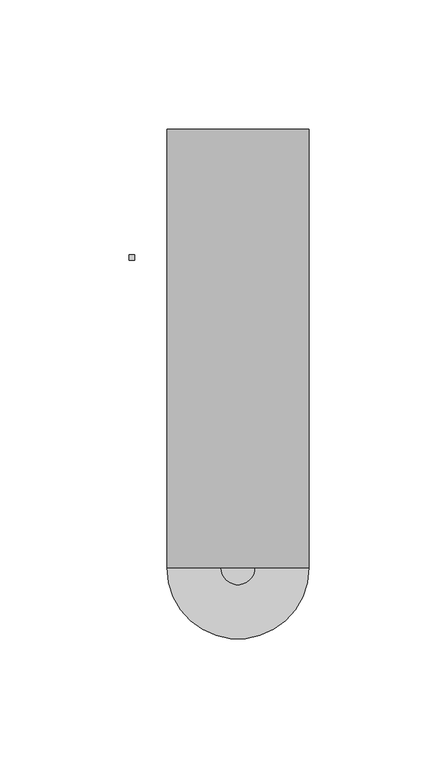
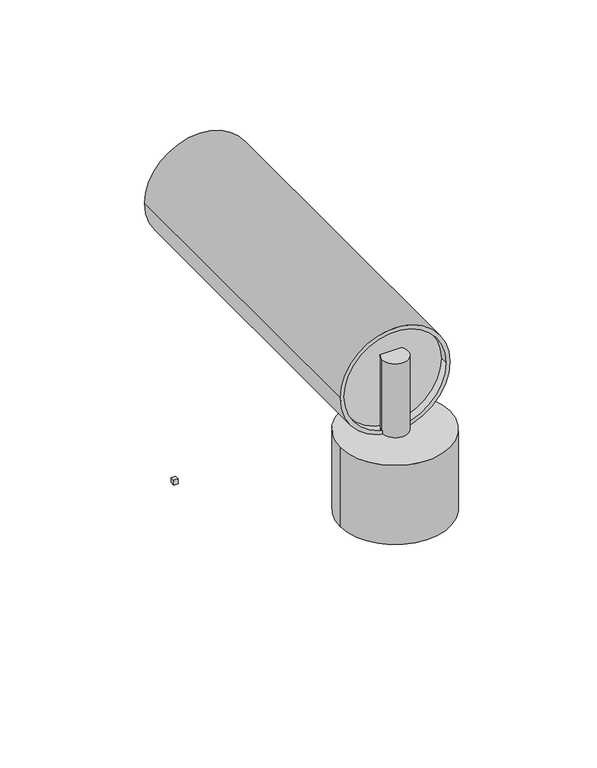
"""IFC4 building model written with IfcOpenShell, lengths in millimetres: light fixture geometry."""

import ifcopenshell
import ifcopenshell.guid

model = None  # the IFC model being written
_history = None  # IfcOwnerHistory: only IFC2X3 demands one
_inside = {}  # id of a spatial element -> (the spatial element, [elements in it])
_under = {}  # id of a project, library or spatial element -> (it, [spatial elements below it])
_declared = {}  # id of a project -> (the project, [libraries it declares])
_typed = {}  # id of a type object -> (the type object, [elements of that type])
_made_of = {}  # id of a material, layer set ... -> (it, [elements and type objects made of it])


def new_model(schema):
    """Start an empty IFC model of exactly this schema.

    Asked for "IFC4X3", IfcOpenShell would pick the latest addendum, in which some entities
    have other attributes; the version numbers below select the first issue.
    IFC2X3 requires an IfcOwnerHistory on every rooted entity: one is made here for all.
    """
    global model, _history
    if schema == "IFC4X3":
        model = ifcopenshell.file(schema_version=(4, 3, 0, 0))
    else:
        model = ifcopenshell.file(schema=schema)
    _inside.clear()
    _under.clear()
    _declared.clear()
    _typed.clear()
    _made_of.clear()
    _history = None
    if model.schema == "IFC2X3":
        org = make("IfcOrganization", Name="unknown")
        user = make(
            "IfcPersonAndOrganization",
            ThePerson=make("IfcPerson", FamilyName="unknown"),
            TheOrganization=org,
        )
        app = make(
            "IfcApplication",
            ApplicationDeveloper=org,
            Version="unknown",
            ApplicationFullName="unknown",
            ApplicationIdentifier="unknown",
        )
        _history = make(
            "IfcOwnerHistory",
            OwningUser=user,
            OwningApplication=app,
            ChangeAction="ADDED",
            CreationDate=0,
        )
    return model


def make(cls, **values):
    """One entity of the class cls with the attributes given. An attribute that is None is left unset."""
    return model.create_entity(
        cls, **{name: value for name, value in values.items() if value is not None}
    )


def rooted(cls, **values):
    """An entity with a GlobalId (a new one), such as an element, a storey or a relation."""
    return make(cls, GlobalId=ifcopenshell.guid.new(), OwnerHistory=_history, **values)


def si_unit(unit_type, name, prefix=None):
    """IfcSIUnit, for example si_unit("LENGTHUNIT", "METRE", prefix="MILLI")."""
    return make("IfcSIUnit", UnitType=unit_type, Prefix=prefix, Name=name)


def assignment(units):
    """IfcUnitAssignment: the units of a project."""
    return None if units is None else make("IfcUnitAssignment", Units=units)


def point(xyz):
    """IfcCartesianPoint."""
    return None if xyz is None else make("IfcCartesianPoint", Coordinates=xyz)


def direction(xyz):
    """IfcDirection."""
    return None if xyz is None else make("IfcDirection", DirectionRatios=xyz)


def frame(location, z_axis=None, x_axis=None):
    """IfcAxis2Placement3D, a coordinate frame: its origin and axes. An axis left out is left unset."""
    return make(
        "IfcAxis2Placement3D",
        Location=point(location),
        Axis=direction(z_axis),
        RefDirection=direction(x_axis),
    )


def frame_2d(location, x_axis=None):
    """IfcAxis2Placement2D, a coordinate frame in the plane: its origin and x axis."""
    return make(
        "IfcAxis2Placement2D", Location=point(location), RefDirection=direction(x_axis)
    )


def origin():
    """The frame at (0, 0, 0) with its axes left unset."""
    return frame((0.0, 0.0, 0.0))


def origin_with_axes():
    """The frame at (0, 0, 0) with the z axis (0, 0, 1) and the x axis (1, 0, 0) written out."""
    return frame((0.0, 0.0, 0.0), z_axis=(0.0, 0.0, 1.0), x_axis=(1.0, 0.0, 0.0))


def origin_2d():
    """The frame at (0, 0) in the plane with its x axis left unset."""
    return frame_2d((0.0, 0.0))


def place(relative_to, where):
    """IfcLocalPlacement: puts the frame where relative to a parent placement (None: the world)."""
    return make(
        "IfcLocalPlacement", PlacementRelTo=relative_to, RelativePlacement=where
    )


def context(
    kind, dimensions, precision=None, world=None, true_north=None, identifier=None
):
    """IfcGeometricRepresentationContext, for example the 3D "Model" context."""
    return make(
        "IfcGeometricRepresentationContext",
        ContextIdentifier=identifier,
        ContextType=kind,
        CoordinateSpaceDimension=dimensions,
        Precision=precision,
        WorldCoordinateSystem=world,
        TrueNorth=true_north,
    )


def project(units=None, contexts=None):
    """IfcProject with its units and contexts."""
    return rooted(
        "IfcProject",
        Name="project",
        RepresentationContexts=contexts,
        UnitsInContext=assignment(units),
    )


def spatial(cls, under=None, at=None, **own):
    """A site, building, storey or space (cls), placed at a placement, below another one or the project."""
    s = rooted(cls, ObjectPlacement=at, **own)
    if under is not None:
        _under.setdefault(under.id(), (under, []))[1].append(s)
    return s


def polyline(points):
    """IfcPolyline through the points."""
    return make("IfcPolyline", Points=[point(p) for p in points])


def circle_curve(where, radius):
    """IfcCircle in the frame where."""
    return make("IfcCircle", Position=where, Radius=radius)


def trimmed(basis, trim1, trim2, sense, master):
    """IfcTrimmedCurve: the piece of a basis curve between two trims."""
    return make(
        "IfcTrimmedCurve",
        BasisCurve=basis,
        Trim1=trim1,
        Trim2=trim2,
        SenseAgreement=sense,
        MasterRepresentation=master,
    )


def segment(curve, same_sense, transition):
    """IfcCompositeCurveSegment."""
    return make(
        "IfcCompositeCurveSegment",
        Transition=transition,
        SameSense=same_sense,
        ParentCurve=curve,
    )


def composite_curve(segments, self_intersect=None):
    """IfcCompositeCurve: segments joined end to end."""
    return make("IfcCompositeCurve", Segments=segments, SelfIntersect=self_intersect)


def outline(outer, holes=None, kind="AREA"):
    """IfcArbitraryClosedProfileDef: a profile drawn as a closed curve; with holes, ...WithVoids."""
    if holes is None:
        return make("IfcArbitraryClosedProfileDef", ProfileType=kind, OuterCurve=outer)
    return make(
        "IfcArbitraryProfileDefWithVoids",
        ProfileType=kind,
        OuterCurve=outer,
        InnerCurves=holes,
    )


def extrude(swept, where, along, depth):
    """IfcExtrudedAreaSolid: the profile swept, set in the frame where, extruded along a direction by depth."""
    return make(
        "IfcExtrudedAreaSolid",
        SweptArea=swept,
        Position=where,
        ExtrudedDirection=direction(along),
        Depth=depth,
    )


def shape(context_of_items, identifier, shape_type, items):
    """IfcShapeRepresentation: the items that make up one representation, for example the "Body"."""
    return make(
        "IfcShapeRepresentation",
        ContextOfItems=context_of_items,
        RepresentationIdentifier=identifier,
        RepresentationType=shape_type,
        Items=items,
    )


def source(mapping_origin, context_of_items, identifier, shape_type, items):
    """IfcRepresentationMap: a shape defined once, which mapped items show again and again."""
    return make(
        "IfcRepresentationMap",
        MappingOrigin=mapping_origin,
        MappedRepresentation=shape(context_of_items, identifier, shape_type, items),
    )


def transform(
    local_origin,
    x_axis=None,
    y_axis=None,
    z_axis=None,
    scale=None,
    scale2=None,
    scale3=None,
    uniform=True,
):
    """IfcCartesianTransformationOperator3D, or its non-uniform kind. x_axis, y_axis, z_axis: its Axis1, 2, 3."""
    if uniform:
        return make(
            "IfcCartesianTransformationOperator3D",
            Axis1=direction(x_axis),
            Axis2=direction(y_axis),
            LocalOrigin=point(local_origin),
            Scale=scale,
            Axis3=direction(z_axis),
        )
    return make(
        "IfcCartesianTransformationOperator3DnonUniform",
        Axis1=direction(x_axis),
        Axis2=direction(y_axis),
        LocalOrigin=point(local_origin),
        Scale=scale,
        Axis3=direction(z_axis),
        Scale2=scale2,
        Scale3=scale3,
    )


def mapped(mapping_source, mapping_target):
    """IfcMappedItem: shows the shape of a source again, moved by a transform."""
    return make(
        "IfcMappedItem", MappingSource=mapping_source, MappingTarget=mapping_target
    )


def made_of(thing, what):
    """Note that an element or type object is made of a material, layer set ...; save() writes the relation."""
    if what is not None:
        _made_of.setdefault(what.id(), (what, []))[1].append(thing)
    return thing


def element(
    cls,
    number,
    at=None,
    inside=None,
    cuts=None,
    type_object=None,
    material=None,
    context=None,
    identifier="Body",
    shape_type=None,
    held_by="IfcProductDefinitionShape",
    body=None,
    shapes=None,
    **own,
):
    """One element of the class cls, such as IfcWall. Its Tag is "e" and its number.

    at: its placement. inside: the storey or other place that contains it. cuts: it is an
    opening in that element (IfcRelVoidsElement). A single representation is given by context,
    identifier, shape_type and body (its items); several are given by shapes. held_by: the class
    of the entity that holds the representations. save() writes the other relations.
    """
    e = rooted(cls, Tag="e%d" % number, ObjectPlacement=at, **own)
    if body is not None:
        shapes = [shape(context, identifier, shape_type, body)]
    if shapes is not None:
        e.Representation = make(held_by, Representations=shapes)
    if inside is not None:
        _inside.setdefault(inside.id(), (inside, []))[1].append(e)
    if cuts is not None:
        rooted(
            "IfcRelVoidsElement", RelatingBuildingElement=cuts, RelatedOpeningElement=e
        )
    if type_object is not None:
        _typed.setdefault(type_object.id(), (type_object, []))[1].append(e)
    return made_of(e, material)


def aggregate(whole, parts):
    """IfcRelAggregates: a whole, such as a stair, and the parts it consists of."""
    return rooted("IfcRelAggregates", RelatingObject=whole, RelatedObjects=parts)


def save(model, path):
    """Write the relations noted so far, then the file.

    IfcRelAggregates (storeys below a building ...), IfcRelContainedInSpatialStructure (elements
    in a storey), IfcRelDefinesByType, IfcRelAssociatesMaterial and IfcRelDeclares: one each for
    every whole, place, type object, material and project.
    """
    for whole, parts in _under.values():
        aggregate(whole, parts)
    for where, things in _inside.values():
        rooted(
            "IfcRelContainedInSpatialStructure",
            RelatedElements=things,
            RelatingStructure=where,
        )
    for kind, things in _typed.values():
        rooted("IfcRelDefinesByType", RelatedObjects=things, RelatingType=kind)
    for what, things in _made_of.values():
        rooted("IfcRelAssociatesMaterial", RelatedObjects=things, RelatingMaterial=what)
    for by, libraries in _declared.values():
        rooted("IfcRelDeclares", RelatingContext=by, RelatedDefinitions=libraries)
    model.write(path)


def light_fixture_1b04e1ba(model_context):
    return source(origin(), model_context, "Body", "SweptSolid", [
        extrude(outline(composite_curve([segment(trimmed(circle_curve(frame_2d((68.1286709, 0.0)), 25.5), [point((68.1286709, -25.5))], [point((68.1286709, 25.5))], False, "CARTESIAN"), True, "CONTINUOUS"), segment(trimmed(circle_curve(frame_2d((68.1286709, 0.0)), 25.5), [point((68.1286709, 25.5))], [point((68.1286709, -25.5))], False, "CARTESIAN"), True, "CONTINUOUS")], self_intersect=False)), frame((0.0, 4.0971086, 0.0), z_axis=(0.0, 1.0, 0.0), x_axis=(0.0, 0.0, 1.0)), (0.0, 0.0, 1.0), 8.8674497),
        extrude(outline(composite_curve([segment(trimmed(circle_curve(frame_2d((68.1286709, 0.0)), 25.5), [point((68.1286709, -25.5))], [point((68.1286709, 25.5))], False, "CARTESIAN"), True, "CONTINUOUS"), segment(trimmed(circle_curve(frame_2d((68.1286709, 0.0)), 25.5), [point((68.1286709, 25.5))], [point((68.1286709, -25.5))], False, "CARTESIAN"), True, "CONTINUOUS")], self_intersect=False)), frame((0.0, 104.4407644, 0.0), z_axis=(0.0, 1.0, 0.0), x_axis=(0.0, 0.0, 1.0)), (0.0, 0.0, 1.0), 53.2046979),
        extrude(outline(composite_curve([segment(trimmed(circle_curve(frame_2d((68.1286709, 0.0)), 27.5), [point((68.1286709, -27.5))], [point((68.1286709, 27.5))], False, "CARTESIAN"), True, "CONTINUOUS"), segment(trimmed(circle_curve(frame_2d((68.1286709, 0.0)), 27.5), [point((68.1286709, 27.5))], [point((68.1286709, -27.5))], False, "CARTESIAN"), True, "CONTINUOUS")], self_intersect=False), holes=[composite_curve([segment(trimmed(circle_curve(frame_2d((68.1286709, 0.0)), 25.5), [point((68.1286709, -25.5))], [point((68.1286709, 25.5))], True, "CARTESIAN"), True, "CONTINUOUS"), segment(trimmed(circle_curve(frame_2d((68.1286709, 0.0)), 25.5), [point((68.1286709, 25.5))], [point((68.1286709, -25.5))], True, "CARTESIAN"), True, "CONTINUOUS")], self_intersect=False)]), frame((0.0, 0.0, 0.0), z_axis=(0.0, 1.0, 0.0), x_axis=(0.0, 0.0, 1.0)), (0.0, 0.0, 1.0), 170.0),
        extrude(outline(polyline([(-40.0659544, 119.1161049), (-42.2773868, 119.1161049), (-42.2773868, 121.3200627), (-40.0659544, 121.3200627), (-40.0659544, 119.1161049)])), frame((0.0, 0.0, -45.0471716), z_axis=(0.0, 0.0, 1.0), x_axis=(1.0, 0.0, 0.0)), (0.0, 0.0, 1.0), 2.4665976),
        extrude(outline(composite_curve([segment(trimmed(circle_curve(origin_2d(), 6.5), [point((-6.5, 0.0))], [point((6.5, 0.0))], False, "CARTESIAN"), True, "CONTINUOUS"), segment(trimmed(circle_curve(origin_2d(), 6.5), [point((6.5, 0.0))], [point((-6.5, 0.0))], False, "CARTESIAN"), True, "CONTINUOUS")], self_intersect=False)), frame((0.0, 0.0, 42.0), z_axis=(0.0, 0.0, 1.0), x_axis=(1.0, 0.0, 0.0)), (0.0, 0.0, 1.0), 39.0932291),
        extrude(outline(composite_curve([segment(trimmed(circle_curve(origin_2d(), 27.5), [point((-27.5, 0.0))], [point((27.5, 0.0))], False, "CARTESIAN"), True, "CONTINUOUS"), segment(trimmed(circle_curve(origin_2d(), 27.5), [point((27.5, 0.0))], [point((-27.5, 0.0))], False, "CARTESIAN"), True, "CONTINUOUS")], self_intersect=False)), origin_with_axes(), (0.0, 0.0, 1.0), 42.0),
    ])


if __name__ == "__main__":
    model = new_model("IFC4")
    model_context = context("Model", 3, world=origin())
    ifc_project = project(units=[si_unit("LENGTHUNIT", "METRE", prefix="MILLI")], contexts=[model_context])
    site = spatial("IfcSite", under=ifc_project)
    building = spatial("IfcBuilding", under=site)
    placement = place(None, origin())
    light_fixture_shape = light_fixture_1b04e1ba(model_context)
    element("IfcLightFixture", 1, at=placement, inside=building, context=model_context, shape_type="MappedRepresentation", body=[
        mapped(light_fixture_shape, transform((0.0, 0.0, 0.0), x_axis=(1.0, 0.0, 0.0), y_axis=(0.0, 1.0, 0.0), z_axis=(0.0, 0.0, 1.0))),
    ])
    save(model, "model.ifc")
